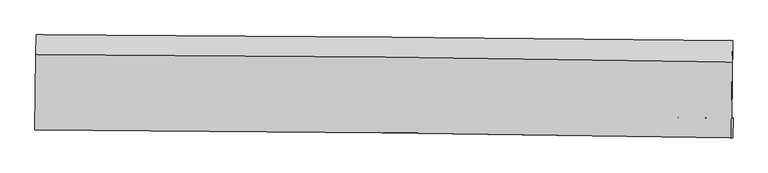
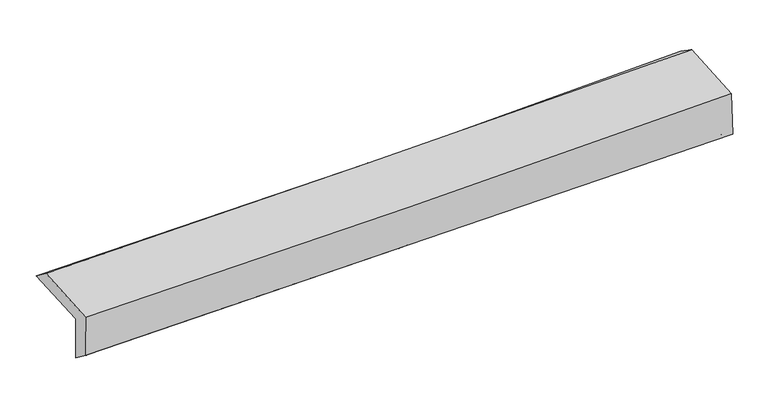
"""IFC4 building model written with IfcOpenShell, lengths in millimetres: proxy geometry."""

from ifc_helpers import new_model, si_unit, frame, origin, place, context, project, spatial, source, transform, mapped, element, save
from ifc_brep_helpers import plane_surface, spline_curve, spline_surface, advanced_brep


def generic_models_5f85319e(model_context):
    return source(origin(), model_context, "Body", "AdvancedBrep", [
        advanced_brep(
        [(-3020.9883812, -1758.5361866, 1959.2823578), (-3014.5624428, -1102.8670398, 1983.8307562), (3006.056449, -1151.2431993, 2139.7445513), (2999.7689447, -1826.4383945, 2114.473391), (-3010.9373618, -1743.6776887, 1559.7921063), (3009.5829988, -1824.243166, 1719.3134263), (-3015.9128997, -1913.4582029, 1687.1797695), (3005.0519861, -1997.0992039, 1830.7413089), (-3025.7122655, -1927.9446793, 2076.6677349), (2995.1564241, -1994.396982, 2231.2145128), (-3019.677213, -1274.416144, 2116.0753092), (3000.8891311, -1337.7705204, 2271.2023845)],
        [
            (0, 1),
            (1, 2, spline_curve(3, [(-3014.5624428, -1102.8670398, 1983.8307562), (-2010.437113316, -1108.688681888, 1983.611617487), (-1006.663662051, -1115.630772915, 1996.494476602), (1000.209322859, -1131.756092444, 2048.464962322), (2003.308835583, -1140.939388027, 2087.553368318), (3006.056449, -1151.2431993, 2139.7445513)], [4, 2, 4], [0.0, 9.881053600808468, 19.76240103904773])),
            (2, 3),
            (3, 0, spline_curve(3, [(2999.7689447, -1826.4383945, 2114.473391), (1997.023881329, -1810.032821211, 2062.50921913), (993.914107005, -1796.171471013, 2023.594548579), (-1013.005023111, -1773.53755292, 1971.864980362), (-2016.814357554, -1764.764833897, 1959.049306234), (-3020.9883812, -1758.5361866, 1959.2823578)], [4, 2, 4], [0.0, 9.881347438239263, 19.76240103904773])),
            (4, 0),
            (3, 5),
            (5, 4, spline_curve(3, [(3009.5829988, -1824.243166, 1719.3134263), (2006.78946675, -1801.752733078, 1671.819812459), (1003.675206215, -1783.793694348, 1634.779520048), (-1003.164932895, -1756.938804544, 1581.606368357), (-2006.890792589, -1748.042684177, 1565.47288737), (-3010.9373618, -1743.6776887, 1559.7921063)], [4, 2, 4], [0.0, 9.881499242242038, 19.76270464253915])),
            (6, 4),
            (5, 7),
            (7, 6, spline_curve(3, [(3005.0519861, -1997.0992039, 1830.7413089), (2001.813897157, -1973.43956988, 1801.130089269), (998.440316556, -1954.639638043, 1774.360882034), (-1008.547986833, -1926.759593692, 1726.507204679), (-2012.162701545, -1917.679191759, 1705.422565207), (-3015.9128997, -1913.4582029, 1687.1797695)], [4, 2, 4], [0.0, 9.88106305071077, 19.761832272447453])),
            (8, 6),
            (7, 9),
            (9, 8, spline_curve(3, [(2995.1564241, -1994.396982, 2231.2145128), (1992.133075601, -1979.08539121, 2189.487244503), (988.874880572, -1965.891853378, 2155.744639372), (-1018.081363525, -1943.741211569, 2104.229521581), (-2021.779398031, -1934.7839821, 2086.456534198), (-3025.7122655, -1927.9446793, 2076.6677349)], [4, 2, 4], [0.0, 9.880974562814378, 19.761655299285998])),
            (10, 8),
            (9, 11),
            (11, 10, spline_curve(3, [(3000.8891311, -1337.7705204, 2271.2023845), (1997.940784602, -1320.634663974, 2229.385644854), (994.745285907, -1306.787174901, 2195.549945304), (-1012.110176959, -1285.669245291, 2143.841394925), (-2015.770126152, -1278.398608717, 2125.968069515), (-3019.677213, -1274.416144, 2116.0753092)], [4, 2, 4], [0.0, 9.880838161252118, 19.761382500217593])),
            (1, 10),
            (11, 2),
        ],
        [
            spline_surface(3, 3, [[(-3020.9883812, -1758.5361866, 1959.2823578), (-2016.814357598, -1764.764833946, 1959.049306301), (-1013.005023212, -1773.537552972, 1971.864980315), (993.914107107, -1796.171470961, 2023.594548626), (1997.023881363, -1810.032821236, 2062.509219023), (2999.7689447, -1826.4383945, 2114.473391)], [(-3018.846401722, -1539.97980433, 1967.465157261), (-2014.688609464, -1546.072783222, 1967.236743392), (-1010.891236149, -1554.235292907, 1980.074812379), (996.012512345, -1574.699678185, 2031.884686514), (1999.118866101, -1587.001676865, 2070.85726882), (3001.864779463, -1601.373329425, 2122.897111103)], [(-3016.704422278, -1321.42342207, 1975.647956739), (-2012.562861362, -1327.380732508, 1975.4241805), (-1008.777449081, -1334.933032817, 1988.284644506), (998.110917587, -1353.227885384, 2040.174824466), (2001.213850848, -1363.970532519, 2079.205318606), (3003.960614237, -1376.308264375, 2131.320831197)], [(-3014.5624428, -1102.8670398, 1983.8307562), (-2010.437113227, -1108.688681784, 1983.611617591), (-1006.663662017, -1115.630772752, 1996.494476569), (1000.209322826, -1131.756092608, 2048.464962354), (2003.308835586, -1140.939388149, 2087.553368402), (3006.056449, -1151.2431993, 2139.7445513)]], [4, 4], [4, 2, 4], [0.0, 2.170782243627129], [0.0, 9.881053600808468, 19.76240103904773]),
            spline_surface(3, 3, [[(-3010.9373618, -1743.6776887, 1559.7921063), (-2006.890792721, -1748.042684265, 1565.472887489), (-1003.164932976, -1756.938804645, 1581.60636838), (1003.675206296, -1783.793694247, 1634.779520025), (2006.789466755, -1801.752732979, 1671.819812478), (3009.5829988, -1824.243166, 1719.3134263)], [(-3014.287701609, -1748.630521318, 1692.955523465), (-2010.198647689, -1753.616734144, 1696.665027091), (-1006.444963034, -1762.47172075, 1711.692572379), (1000.421506587, -1787.919619814, 1764.384529579), (2003.534271613, -1804.512762389, 1802.049614658), (3006.311647422, -1824.974908825, 1851.033414531)], [(-3017.638041391, -1753.583353982, 1826.118940635), (-2013.50650263, -1759.190784067, 1827.857166699), (-1009.724993154, -1768.004636867, 1841.778776317), (997.167806816, -1792.045545394, 1893.989539072), (2000.279076505, -1807.272791825, 1932.279416844), (3003.040296078, -1825.706651675, 1982.753402769)], [(-3020.9883812, -1758.5361866, 1959.2823578), (-2016.814357598, -1764.764833946, 1959.049306301), (-1013.005023212, -1773.537552972, 1971.864980315), (993.914107107, -1796.171470961, 2023.594548626), (1997.023881363, -1810.032821236, 2062.509219023), (2999.7689447, -1826.4383945, 2114.473391)]], [4, 4], [4, 2, 4], [0.0, 1.279295680398409], [0.0, 9.88120540029711, 19.76270464253915]),
            spline_surface(3, 3, [[(-3015.9128997, -1913.4582029, 1687.1797695), (-2012.162701482, -1917.67919166, 1705.422565242), (-1008.547986798, -1926.759593544, 1726.507204643), (998.440316521, -1954.639638191, 1774.36088207), (2001.813897114, -1973.439569978, 1801.130089173), (3005.0519861, -1997.0992039, 1830.7413089)], [(-3014.254387057, -1856.864698186, 1644.717215103), (-2010.405398552, -1861.133689214, 1658.77267266), (-1006.753635545, -1870.152663915, 1678.206925896), (1000.185279759, -1897.690990213, 1727.833761396), (2003.47242034, -1916.210624326, 1758.026663624), (3006.562323679, -1939.480524615, 1793.598681383)], [(-3012.595874443, -1800.271193414, 1602.254660697), (-2008.648095651, -1804.588186711, 1612.12278007), (-1004.959284229, -1813.545734274, 1629.906647127), (1001.930243059, -1840.742342224, 1681.306640699), (2005.130943529, -1858.981678631, 1714.923238027), (3008.072661221, -1881.861845285, 1756.456053817)], [(-3010.9373618, -1743.6776887, 1559.7921063), (-2006.890792721, -1748.042684265, 1565.472887489), (-1003.164932976, -1756.938804645, 1581.60636838), (1003.675206296, -1783.793694247, 1634.779520025), (2006.789466755, -1801.752732979, 1671.819812478), (3009.5829988, -1824.243166, 1719.3134263)]], [4, 4], [4, 2, 4], [0.0, 0.7282736970551256], [0.0, 9.880769221736683, 19.761832272447453]),
            spline_surface(3, 3, [[(-3025.7122655, -1927.9446793, 2076.6677349), (-2021.779398034, -1934.783982192, 2086.45653406), (-1018.081363395, -1943.741211667, 2104.229521597), (988.874880442, -1965.89185328, 2155.744639356), (1992.133075663, -1979.085391348, 2189.48724447), (2995.1564241, -1994.396982, 2231.2145128)], [(-3022.445810234, -1923.115853835, 1946.838413093), (-2018.573832518, -1929.082385349, 1959.445211114), (-1014.90357117, -1938.08067229, 1978.32208259), (992.063359162, -1962.141114914, 2028.616720238), (1995.360016137, -1977.203450879, 2060.034859354), (2998.454944758, -1995.297722621, 2097.723444817)], [(-3019.179354966, -1918.287028365, 1817.009091307), (-2015.368266998, -1923.380788503, 1832.433888188), (-1011.725779024, -1932.420132921, 1852.41464365), (995.251837801, -1958.390376557, 1901.488801187), (1998.586956639, -1975.321510447, 1930.582474288), (3001.753465442, -1996.198463279, 1964.232376883)], [(-3015.9128997, -1913.4582029, 1687.1797695), (-2012.162701482, -1917.67919166, 1705.422565242), (-1008.547986798, -1926.759593544, 1726.507204643), (998.440316521, -1954.639638191, 1774.36088207), (2001.813897114, -1973.439569978, 1801.130089173), (3005.0519861, -1997.0992039, 1830.7413089)]], [4, 4], [4, 2, 4], [0.0, 1.2465077242796747], [0.0, 9.88068073647162, 19.761655299285998]),
            spline_surface(3, 3, [[(-3019.677213, -1274.416144, 2116.0753092), (-2015.770126191, -1278.398608739, 2125.968069396), (-1012.110176889, -1285.669245138, 2143.841394883), (994.745285837, -1306.787175054, 2195.549945346), (1997.94078458, -1320.63466409, 2229.385644932), (3000.8891311, -1337.7705204, 2271.2023845)], [(-3021.688897158, -1492.258989094, 2102.939451129), (-2017.773216796, -1497.193733217, 2112.797557646), (-1014.100572418, -1505.026567338, 2130.637437142), (992.788484012, -1526.488734486, 2182.281510036), (1996.004881625, -1540.118239834, 2216.086178118), (2998.978228784, -1556.646007591, 2257.87309394)], [(-3023.700581342, -1710.101834206, 2089.803592971), (-2019.776307429, -1715.988857713, 2099.62704581), (-1016.090967867, -1724.383889468, 2117.433479339), (990.831682267, -1746.190293848, 2169.013074665), (1994.068978617, -1759.601815605, 2202.786711284), (2997.067326416, -1775.521494809, 2244.54380336)], [(-3025.7122655, -1927.9446793, 2076.6677349), (-2021.779398034, -1934.783982192, 2086.45653406), (-1018.081363395, -1943.741211667, 2104.229521597), (988.874880442, -1965.89185328, 2155.744639356), (1992.133075663, -1979.085391348, 2189.48724447), (2995.1564241, -1994.396982, 2231.2145128)]], [4, 4], [4, 2, 4], [0.0, 2.164733931469178], [0.0, 9.880544338965475, 19.761382500217593]),
            spline_surface(3, 3, [[(-3014.5624428, -1102.8670398, 1983.8307562), (-2010.437113227, -1108.688681784, 1983.611617591), (-1006.663662017, -1115.630772752, 1996.494476569), (1000.209322826, -1131.756092608, 2048.464962354), (2003.308835586, -1140.939388149, 2087.553368402), (3006.056449, -1151.2431993, 2139.7445513)], [(-3016.26736622, -1160.050074538, 2027.912273849), (-2012.214784235, -1165.25865744, 2031.063768175), (-1008.479166973, -1172.310263519, 2045.610116002), (998.387977164, -1190.099786728, 2097.493290013), (2001.519485244, -1200.837813487, 2134.830793904), (3004.334009694, -1213.418973024, 2183.563829026)], [(-3017.97228958, -1217.233109262, 2071.993791551), (-2013.992455183, -1221.828633083, 2078.515918812), (-1010.294671933, -1228.989754371, 2094.72575545), (996.566631499, -1248.443480933, 2146.521617687), (1999.730134922, -1260.736238752, 2182.108219429), (3002.611570406, -1275.594746676, 2227.383106774)], [(-3019.677213, -1274.416144, 2116.0753092), (-2015.770126191, -1278.398608739, 2125.968069396), (-1012.110176889, -1285.669245138, 2143.841394883), (994.745285837, -1306.787175054, 2195.549945346), (1997.94078458, -1320.63466409, 2229.385644932), (3000.8891311, -1337.7705204, 2271.2023845)]], [4, 4], [4, 2, 4], [0.0, 0.7443282909883603], [0.0, 9.880529894360453, 19.761353610578006]),
            plane_surface(frame((3002.750989, -1688.531911, 2051.1149291), z_axis=(0.9996407758988688, -0.010235867971644575, 0.02476986409277981), x_axis=(0.02470157115158167, -0.006745359767849709, -0.9996721124970155))),
            plane_surface(frame((-3017.965094, -1620.1499902, 1897.1380057), z_axis=(-0.9996361138128047, 0.010723719940753381, -0.02475160180403904), x_axis=(-0.009793249245702977, -0.999251929450769, -0.03741221402332384))),
        ],
        [
            (0, [[1, 2, 3, 4]]),
            (1, [[5, -4, 6, 7]]),
            (2, [[8, -7, 9, 10]]),
            (3, [[11, -10, 12, 13]]),
            (4, [[14, -13, 15, 16]]),
            (5, [[17, -16, 18, -2]]),
            (6, [[-12, -9, -6, -3, -18, -15]]),
            (7, [[-1, -5, -8, -11, -14, -17]]),
        ],
    ),
    ])


if __name__ == "__main__":
    model = new_model("IFC4")
    model_context = context("Model", 3, world=origin())
    ifc_project = project(units=[si_unit("LENGTHUNIT", "METRE", prefix="MILLI")], contexts=[model_context])
    site = spatial("IfcSite", under=ifc_project)
    building = spatial("IfcBuilding", under=site)
    placement = place(None, origin())
    generic_models_shape = generic_models_5f85319e(model_context)
    element("IfcBuildingElementProxy", 1, Name="Generic Models", at=placement, inside=building, context=model_context, shape_type="MappedRepresentation", body=[
        mapped(generic_models_shape, transform((0.0, 0.0, 0.0), x_axis=(1.0, 0.0, 0.0), y_axis=(0.0, 1.0, 0.0), z_axis=(0.0, 0.0, 1.0))),
    ])
    save(model, "model.ifc")
